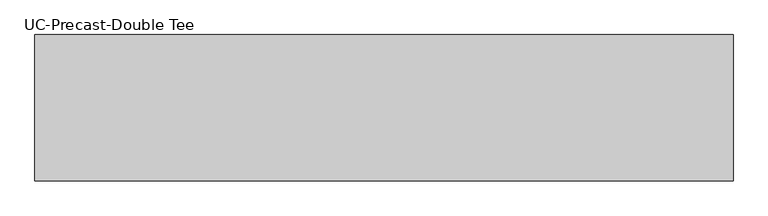
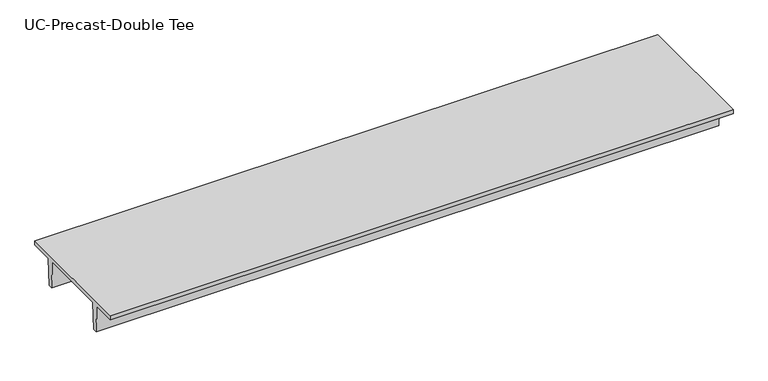
"""IFC4 building model written with IfcOpenShell, lengths in millimetres: beam geometry, UC-Precast-Double Tee."""

from ifc_helpers import new_model, si_unit, frame, origin, place, context, project, spatial, polyline, outline, extrude, source, transform, mapped, element, save


def uc_precast_double_tee_c2c66e2a(model_context):
    return source(origin(), model_context, "Body", "SweptSolid", [
        extrude(outline(polyline([(1549.4, 381.0), (1549.4, 279.4), (990.6, 279.4), (965.2, -381.0), (863.6, -381.0), (838.2, 279.4), (-838.2, 279.4), (-863.6, -381.0), (-965.2, -381.0), (-990.6, 279.4), (-1549.4, 279.4), (-1549.4, 381.0), (1549.4, 381.0)])), frame((-7366.0, 0.0, 0.0), z_axis=(1.0, 0.0, 0.0), x_axis=(0.0, 1.0, 0.0)), (0.0, 0.0, 1.0), 14791.7657187),
    ])


if __name__ == "__main__":
    model = new_model("IFC4")
    model_context = context("Model", 3, world=origin())
    ifc_project = project(units=[si_unit("LENGTHUNIT", "METRE", prefix="MILLI")], contexts=[model_context])
    site = spatial("IfcSite", under=ifc_project)
    building = spatial("IfcBuilding", under=site)
    placement = place(None, origin())
    uc_precast_double_tee_shape = uc_precast_double_tee_c2c66e2a(model_context)
    element("IfcBeam", 1, ObjectType="UC-Precast-Double Tee", at=placement, inside=building, context=model_context, shape_type="MappedRepresentation", body=[
        mapped(uc_precast_double_tee_shape, transform((0.0, 0.0, 0.0), x_axis=(1.0, 0.0, 0.0), y_axis=(0.0, 1.0, 0.0), z_axis=(0.0, 0.0, 1.0))),
    ])
    save(model, "model.ifc")
